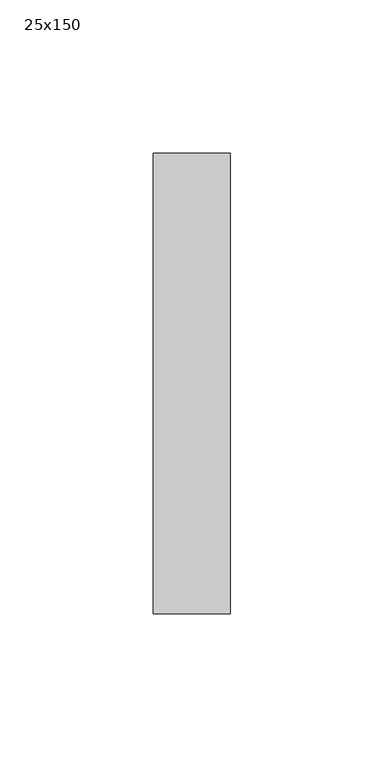
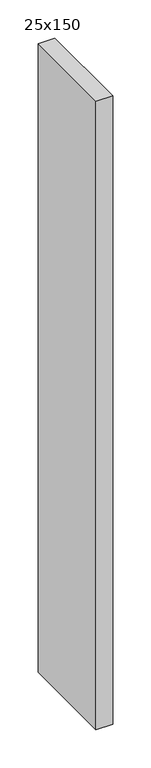
"""IFC4 building model written with IfcOpenShell, lengths in millimetres: member geometry, 25x150."""

import ifcopenshell
import ifcopenshell.guid

model = None  # the IFC model being written
_history = None  # IfcOwnerHistory: only IFC2X3 demands one
_inside = {}  # id of a spatial element -> (the spatial element, [elements in it])
_under = {}  # id of a project, library or spatial element -> (it, [spatial elements below it])
_declared = {}  # id of a project -> (the project, [libraries it declares])
_typed = {}  # id of a type object -> (the type object, [elements of that type])
_made_of = {}  # id of a material, layer set ... -> (it, [elements and type objects made of it])


def new_model(schema):
    """Start an empty IFC model of exactly this schema.

    Asked for "IFC4X3", IfcOpenShell would pick the latest addendum, in which some entities
    have other attributes; the version numbers below select the first issue.
    IFC2X3 requires an IfcOwnerHistory on every rooted entity: one is made here for all.
    """
    global model, _history
    if schema == "IFC4X3":
        model = ifcopenshell.file(schema_version=(4, 3, 0, 0))
    else:
        model = ifcopenshell.file(schema=schema)
    _inside.clear()
    _under.clear()
    _declared.clear()
    _typed.clear()
    _made_of.clear()
    _history = None
    if model.schema == "IFC2X3":
        org = make("IfcOrganization", Name="unknown")
        user = make(
            "IfcPersonAndOrganization",
            ThePerson=make("IfcPerson", FamilyName="unknown"),
            TheOrganization=org,
        )
        app = make(
            "IfcApplication",
            ApplicationDeveloper=org,
            Version="unknown",
            ApplicationFullName="unknown",
            ApplicationIdentifier="unknown",
        )
        _history = make(
            "IfcOwnerHistory",
            OwningUser=user,
            OwningApplication=app,
            ChangeAction="ADDED",
            CreationDate=0,
        )
    return model


def make(cls, **values):
    """One entity of the class cls with the attributes given. An attribute that is None is left unset."""
    return model.create_entity(
        cls, **{name: value for name, value in values.items() if value is not None}
    )


def rooted(cls, **values):
    """An entity with a GlobalId (a new one), such as an element, a storey or a relation."""
    return make(cls, GlobalId=ifcopenshell.guid.new(), OwnerHistory=_history, **values)


def si_unit(unit_type, name, prefix=None):
    """IfcSIUnit, for example si_unit("LENGTHUNIT", "METRE", prefix="MILLI")."""
    return make("IfcSIUnit", UnitType=unit_type, Prefix=prefix, Name=name)


def assignment(units):
    """IfcUnitAssignment: the units of a project."""
    return None if units is None else make("IfcUnitAssignment", Units=units)


def point(xyz):
    """IfcCartesianPoint."""
    return None if xyz is None else make("IfcCartesianPoint", Coordinates=xyz)


def direction(xyz):
    """IfcDirection."""
    return None if xyz is None else make("IfcDirection", DirectionRatios=xyz)


def frame(location, z_axis=None, x_axis=None):
    """IfcAxis2Placement3D, a coordinate frame: its origin and axes. An axis left out is left unset."""
    return make(
        "IfcAxis2Placement3D",
        Location=point(location),
        Axis=direction(z_axis),
        RefDirection=direction(x_axis),
    )


def origin():
    """The frame at (0, 0, 0) with its axes left unset."""
    return frame((0.0, 0.0, 0.0))


def place(relative_to, where):
    """IfcLocalPlacement: puts the frame where relative to a parent placement (None: the world)."""
    return make(
        "IfcLocalPlacement", PlacementRelTo=relative_to, RelativePlacement=where
    )


def context(
    kind, dimensions, precision=None, world=None, true_north=None, identifier=None
):
    """IfcGeometricRepresentationContext, for example the 3D "Model" context."""
    return make(
        "IfcGeometricRepresentationContext",
        ContextIdentifier=identifier,
        ContextType=kind,
        CoordinateSpaceDimension=dimensions,
        Precision=precision,
        WorldCoordinateSystem=world,
        TrueNorth=true_north,
    )


def project(units=None, contexts=None):
    """IfcProject with its units and contexts."""
    return rooted(
        "IfcProject",
        Name="project",
        RepresentationContexts=contexts,
        UnitsInContext=assignment(units),
    )


def spatial(cls, under=None, at=None, **own):
    """A site, building, storey or space (cls), placed at a placement, below another one or the project."""
    s = rooted(cls, ObjectPlacement=at, **own)
    if under is not None:
        _under.setdefault(under.id(), (under, []))[1].append(s)
    return s


def polyline(points):
    """IfcPolyline through the points."""
    return make("IfcPolyline", Points=[point(p) for p in points])


def outline(outer, holes=None, kind="AREA"):
    """IfcArbitraryClosedProfileDef: a profile drawn as a closed curve; with holes, ...WithVoids."""
    if holes is None:
        return make("IfcArbitraryClosedProfileDef", ProfileType=kind, OuterCurve=outer)
    return make(
        "IfcArbitraryProfileDefWithVoids",
        ProfileType=kind,
        OuterCurve=outer,
        InnerCurves=holes,
    )


def extrude(swept, where, along, depth):
    """IfcExtrudedAreaSolid: the profile swept, set in the frame where, extruded along a direction by depth."""
    return make(
        "IfcExtrudedAreaSolid",
        SweptArea=swept,
        Position=where,
        ExtrudedDirection=direction(along),
        Depth=depth,
    )


def shape(context_of_items, identifier, shape_type, items):
    """IfcShapeRepresentation: the items that make up one representation, for example the "Body"."""
    return make(
        "IfcShapeRepresentation",
        ContextOfItems=context_of_items,
        RepresentationIdentifier=identifier,
        RepresentationType=shape_type,
        Items=items,
    )


def source(mapping_origin, context_of_items, identifier, shape_type, items):
    """IfcRepresentationMap: a shape defined once, which mapped items show again and again."""
    return make(
        "IfcRepresentationMap",
        MappingOrigin=mapping_origin,
        MappedRepresentation=shape(context_of_items, identifier, shape_type, items),
    )


def transform(
    local_origin,
    x_axis=None,
    y_axis=None,
    z_axis=None,
    scale=None,
    scale2=None,
    scale3=None,
    uniform=True,
):
    """IfcCartesianTransformationOperator3D, or its non-uniform kind. x_axis, y_axis, z_axis: its Axis1, 2, 3."""
    if uniform:
        return make(
            "IfcCartesianTransformationOperator3D",
            Axis1=direction(x_axis),
            Axis2=direction(y_axis),
            LocalOrigin=point(local_origin),
            Scale=scale,
            Axis3=direction(z_axis),
        )
    return make(
        "IfcCartesianTransformationOperator3DnonUniform",
        Axis1=direction(x_axis),
        Axis2=direction(y_axis),
        LocalOrigin=point(local_origin),
        Scale=scale,
        Axis3=direction(z_axis),
        Scale2=scale2,
        Scale3=scale3,
    )


def mapped(mapping_source, mapping_target):
    """IfcMappedItem: shows the shape of a source again, moved by a transform."""
    return make(
        "IfcMappedItem", MappingSource=mapping_source, MappingTarget=mapping_target
    )


def made_of(thing, what):
    """Note that an element or type object is made of a material, layer set ...; save() writes the relation."""
    if what is not None:
        _made_of.setdefault(what.id(), (what, []))[1].append(thing)
    return thing


def element(
    cls,
    number,
    at=None,
    inside=None,
    cuts=None,
    type_object=None,
    material=None,
    context=None,
    identifier="Body",
    shape_type=None,
    held_by="IfcProductDefinitionShape",
    body=None,
    shapes=None,
    **own,
):
    """One element of the class cls, such as IfcWall. Its Tag is "e" and its number.

    at: its placement. inside: the storey or other place that contains it. cuts: it is an
    opening in that element (IfcRelVoidsElement). A single representation is given by context,
    identifier, shape_type and body (its items); several are given by shapes. held_by: the class
    of the entity that holds the representations. save() writes the other relations.
    """
    e = rooted(cls, Tag="e%d" % number, ObjectPlacement=at, **own)
    if body is not None:
        shapes = [shape(context, identifier, shape_type, body)]
    if shapes is not None:
        e.Representation = make(held_by, Representations=shapes)
    if inside is not None:
        _inside.setdefault(inside.id(), (inside, []))[1].append(e)
    if cuts is not None:
        rooted(
            "IfcRelVoidsElement", RelatingBuildingElement=cuts, RelatedOpeningElement=e
        )
    if type_object is not None:
        _typed.setdefault(type_object.id(), (type_object, []))[1].append(e)
    return made_of(e, material)


def aggregate(whole, parts):
    """IfcRelAggregates: a whole, such as a stair, and the parts it consists of."""
    return rooted("IfcRelAggregates", RelatingObject=whole, RelatedObjects=parts)


def save(model, path):
    """Write the relations noted so far, then the file.

    IfcRelAggregates (storeys below a building ...), IfcRelContainedInSpatialStructure (elements
    in a storey), IfcRelDefinesByType, IfcRelAssociatesMaterial and IfcRelDeclares: one each for
    every whole, place, type object, material and project.
    """
    for whole, parts in _under.values():
        aggregate(whole, parts)
    for where, things in _inside.values():
        rooted(
            "IfcRelContainedInSpatialStructure",
            RelatedElements=things,
            RelatingStructure=where,
        )
    for kind, things in _typed.values():
        rooted("IfcRelDefinesByType", RelatedObjects=things, RelatingType=kind)
    for what, things in _made_of.values():
        rooted("IfcRelAssociatesMaterial", RelatedObjects=things, RelatingMaterial=what)
    for by, libraries in _declared.values():
        rooted("IfcRelDeclares", RelatingContext=by, RelatedDefinitions=libraries)
    model.write(path)


def member_25x150_87a4a7cc(model_context):
    return source(origin(), model_context, "Body", "SweptSolid", [
        extrude(outline(polyline([(0.0, 75.0), (0.0, -75.0), (-25.0, -75.0), (-25.0, 75.0), (0.0, 75.0)])), frame((0.0, 0.0, -1000.0), z_axis=(0.0, 0.0, 1.0), x_axis=(1.0, 0.0, 0.0)), (0.0, 0.0, 1.0), 1000.0),
    ])


if __name__ == "__main__":
    model = new_model("IFC4")
    model_context = context("Model", 3, world=origin())
    ifc_project = project(units=[si_unit("LENGTHUNIT", "METRE", prefix="MILLI")], contexts=[model_context])
    site = spatial("IfcSite", under=ifc_project)
    building = spatial("IfcBuilding", under=site)
    placement = place(None, origin())
    member_25x150_shape = member_25x150_87a4a7cc(model_context)
    element("IfcMember", 1, ObjectType="25x150", at=placement, inside=building, context=model_context, shape_type="MappedRepresentation", body=[
        mapped(member_25x150_shape, transform((0.0, 0.0, 0.0), x_axis=(1.0, 0.0, 0.0), y_axis=(0.0, 1.0, 0.0), z_axis=(0.0, 0.0, 1.0))),
    ])
    save(model, "model.ifc")
